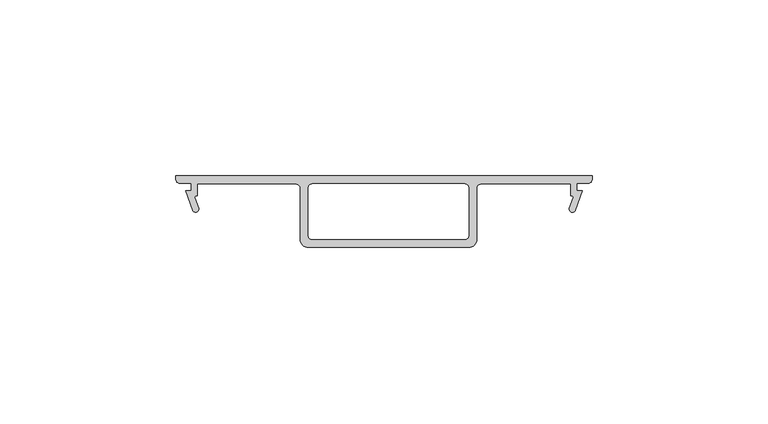
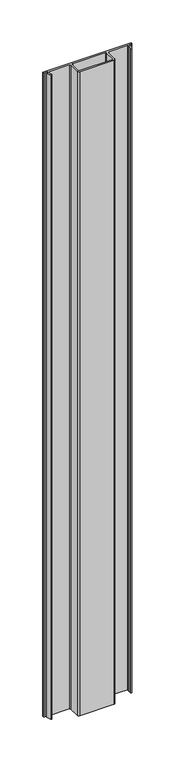
"""IFC4 building model written with IfcOpenShell, lengths in millimetres: proxy geometry."""

from ifc_helpers import new_model, si_unit, point, frame, frame_2d, origin, place, context, project, spatial, polyline, circle_curve, trimmed, segment, composite_curve, outline, extrude, source, transform, mapped, element, save


def generic_models_2336c6e2(model_context):
    return source(origin(), model_context, "Body", "SweptSolid", [
        extrude(outline(composite_curve([segment(trimmed(circle_curve(frame_2d((37145.592742, -21861.6434296)), 0.508), [point((37145.8358168, -21861.1973594))], [point((37145.1153782, -21861.8171759))], True, "CARTESIAN"), True, "CONTINUOUS"), segment(polyline([(37145.1153782, -21861.8171759), (37146.1545706, -21864.6723334)]), True, "CONTINUOUS"), segment(trimmed(circle_curve(frame_2d((37145.3191838, -21864.9763893)), 0.889), [point((37146.1545706, -21864.6723334))], [point((37144.4837971, -21865.2804452))], False, "CARTESIAN"), True, "CONTINUOUS"), segment(polyline([(37144.4837971, -21865.2804452), (37142.4779368, -21859.7693893), (37144.0578168, -21859.7693893), (37144.0578168, -21857.5849893), (37140.7558168, -21857.5849893)]), True, "CONTINUOUS"), segment(trimmed(circle_curve(frame_2d((37140.7558168, -21856.5689893)), 1.016), [point((37140.7558168, -21857.5849893))], [point((37139.7398168, -21856.5689893))], False, "CARTESIAN"), True, "CONTINUOUS"), segment(polyline([(37139.7398168, -21856.5689893), (37139.7398168, -21855.5529893), (37258.0022168, -21855.5529893), (37258.0022168, -21856.5689893)]), True, "CONTINUOUS"), segment(trimmed(circle_curve(frame_2d((37256.9862168, -21856.5689893)), 1.016), [point((37258.0022168, -21856.5689893))], [point((37256.9862168, -21857.5849893))], False, "CARTESIAN"), True, "CONTINUOUS"), segment(polyline([(37256.9862168, -21857.5849893), (37253.6842168, -21857.5849893), (37253.6842168, -21859.7693893), (37255.2640968, -21859.7693893), (37253.2582365, -21865.2804452)]), True, "CONTINUOUS"), segment(trimmed(circle_curve(frame_2d((37252.4228497, -21864.9763893)), 0.889), [point((37253.2582365, -21865.2804452))], [point((37251.587463, -21864.6723334))], False, "CARTESIAN"), True, "CONTINUOUS"), segment(polyline([(37251.587463, -21864.6723334), (37252.6266553, -21861.8171759)]), True, "CONTINUOUS"), segment(trimmed(circle_curve(frame_2d((37252.1492915, -21861.6434296)), 0.508), [point((37252.6266553, -21861.8171759))], [point((37251.9062168, -21861.1973594))], True, "CARTESIAN"), True, "CONTINUOUS"), segment(polyline([(37251.9062168, -21861.1973594), (37251.9062168, -21857.8389893), (37226.3792166, -21857.8389893)]), True, "CONTINUOUS"), segment(trimmed(circle_curve(frame_2d((37226.3792166, -21858.9819893)), 1.143), [point((37226.3792166, -21857.8389893))], [point((37225.2362166, -21858.9819893))], True, "CARTESIAN"), True, "CONTINUOUS"), segment(polyline([(37225.2362166, -21858.9819893), (37225.2362166, -21873.5869893)]), True, "CONTINUOUS"), segment(trimmed(circle_curve(frame_2d((37222.9502166, -21873.5869893)), 2.286), [point((37225.2362166, -21873.5869893))], [point((37222.9502166, -21875.8729893))], False, "CARTESIAN"), True, "CONTINUOUS"), segment(polyline([(37222.9502166, -21875.8729893), (37177.3318167, -21875.8729893)]), True, "CONTINUOUS"), segment(trimmed(circle_curve(frame_2d((37177.3318167, -21873.5869893)), 2.286), [point((37177.3318167, -21875.8729893))], [point((37175.0458167, -21873.5869893))], False, "CARTESIAN"), True, "CONTINUOUS"), segment(polyline([(37175.0458167, -21873.5869893), (37175.0458167, -21858.9819893)]), True, "CONTINUOUS"), segment(trimmed(circle_curve(frame_2d((37173.9028167, -21858.9819893)), 1.143), [point((37175.0458167, -21858.9819893))], [point((37173.9028167, -21857.8389893))], True, "CARTESIAN"), True, "CONTINUOUS"), segment(polyline([(37173.9028167, -21857.8389893), (37145.8358168, -21857.8389893), (37145.8358168, -21861.1973594)]), True, "CONTINUOUS")], self_intersect=False), holes=[composite_curve([segment(polyline([(37177.3318167, -21858.9819893), (37177.3318167, -21872.4439893)]), True, "CONTINUOUS"), segment(trimmed(circle_curve(frame_2d((37178.4748167, -21872.4439893)), 1.143), [point((37177.3318167, -21872.4439893))], [point((37178.4748167, -21873.5869893))], True, "CARTESIAN"), True, "CONTINUOUS"), segment(polyline([(37178.4748167, -21873.5869893), (37221.8072166, -21873.5869893)]), True, "CONTINUOUS"), segment(trimmed(circle_curve(frame_2d((37221.8072166, -21872.4439893)), 1.143), [point((37221.8072166, -21873.5869893))], [point((37222.9502166, -21872.4439893))], True, "CARTESIAN"), True, "CONTINUOUS"), segment(polyline([(37222.9502166, -21872.4439893), (37222.9502166, -21858.9819893)]), True, "CONTINUOUS"), segment(trimmed(circle_curve(frame_2d((37221.8072166, -21858.9819893)), 1.143), [point((37222.9502166, -21858.9819893))], [point((37221.8072166, -21857.8389893))], True, "CARTESIAN"), True, "CONTINUOUS"), segment(polyline([(37221.8072166, -21857.8389893), (37178.4748167, -21857.8389893)]), True, "CONTINUOUS"), segment(trimmed(circle_curve(frame_2d((37178.4748167, -21858.9819893)), 1.143), [point((37178.4748167, -21857.8389893))], [point((37177.3318167, -21858.9819893))], True, "CARTESIAN"), True, "CONTINUOUS")], self_intersect=False)]), frame((0.0, 0.0, 1524.0), z_axis=(0.0, 0.0, 1.0), x_axis=(1.0, 0.0, 0.0)), (0.0, 0.0, 1.0), 914.4),
    ])


if __name__ == "__main__":
    model = new_model("IFC4")
    model_context = context("Model", 3, world=origin())
    ifc_project = project(units=[si_unit("LENGTHUNIT", "METRE", prefix="MILLI")], contexts=[model_context])
    site = spatial("IfcSite", under=ifc_project)
    building = spatial("IfcBuilding", under=site)
    placement = place(None, origin())
    generic_models_shape = generic_models_2336c6e2(model_context)
    element("IfcBuildingElementProxy", 1, Name="Generic Models", at=placement, inside=building, context=model_context, shape_type="MappedRepresentation", body=[
        mapped(generic_models_shape, transform((0.0, 0.0, 0.0), x_axis=(1.0, 0.0, 0.0), y_axis=(0.0, 1.0, 0.0), z_axis=(0.0, 0.0, 1.0))),
    ])
    save(model, "model.ifc")
